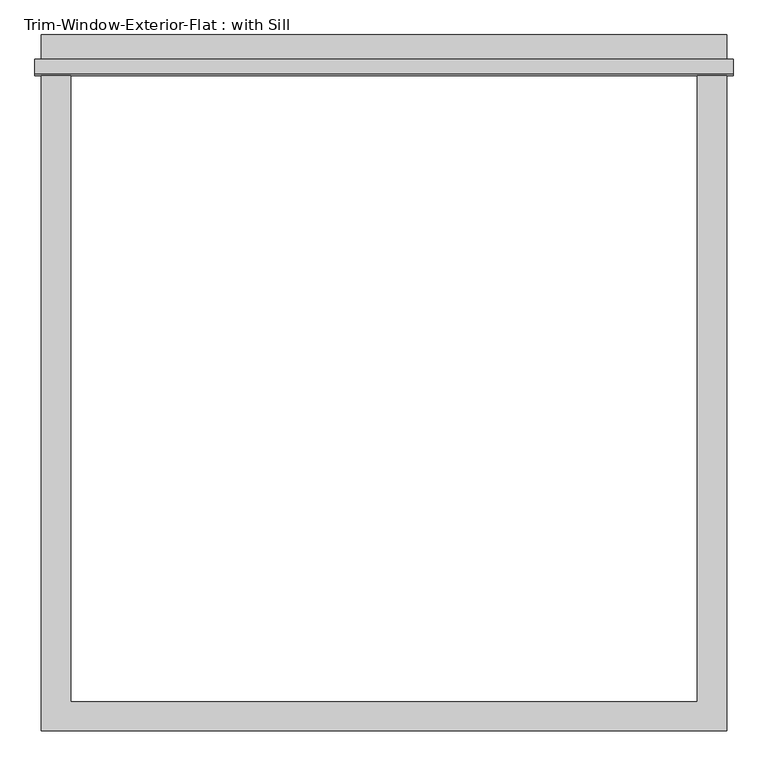
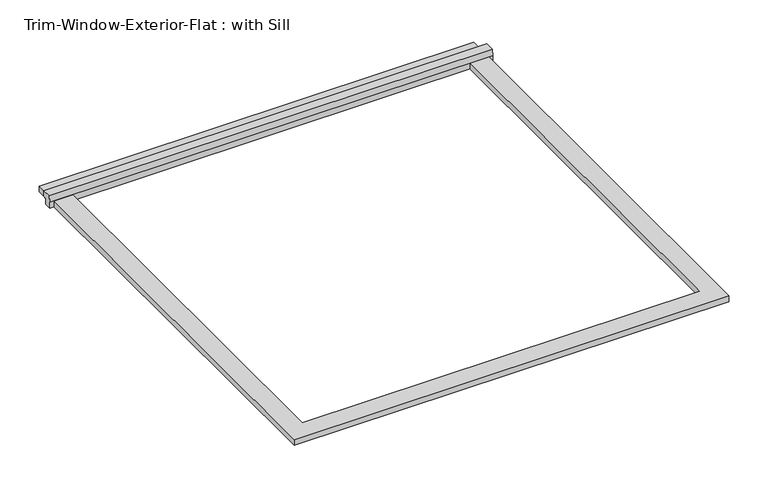
"""IFC4 building model written with IfcOpenShell, lengths in millimetres: proxy geometry, Trim-Window-Exterior-Flat : with Sill."""

import ifcopenshell
import ifcopenshell.guid

model = None  # the IFC model being written
_history = None  # IfcOwnerHistory: only IFC2X3 demands one
_inside = {}  # id of a spatial element -> (the spatial element, [elements in it])
_under = {}  # id of a project, library or spatial element -> (it, [spatial elements below it])
_declared = {}  # id of a project -> (the project, [libraries it declares])
_typed = {}  # id of a type object -> (the type object, [elements of that type])
_made_of = {}  # id of a material, layer set ... -> (it, [elements and type objects made of it])


def new_model(schema):
    """Start an empty IFC model of exactly this schema.

    Asked for "IFC4X3", IfcOpenShell would pick the latest addendum, in which some entities
    have other attributes; the version numbers below select the first issue.
    IFC2X3 requires an IfcOwnerHistory on every rooted entity: one is made here for all.
    """
    global model, _history
    if schema == "IFC4X3":
        model = ifcopenshell.file(schema_version=(4, 3, 0, 0))
    else:
        model = ifcopenshell.file(schema=schema)
    _inside.clear()
    _under.clear()
    _declared.clear()
    _typed.clear()
    _made_of.clear()
    _history = None
    if model.schema == "IFC2X3":
        org = make("IfcOrganization", Name="unknown")
        user = make(
            "IfcPersonAndOrganization",
            ThePerson=make("IfcPerson", FamilyName="unknown"),
            TheOrganization=org,
        )
        app = make(
            "IfcApplication",
            ApplicationDeveloper=org,
            Version="unknown",
            ApplicationFullName="unknown",
            ApplicationIdentifier="unknown",
        )
        _history = make(
            "IfcOwnerHistory",
            OwningUser=user,
            OwningApplication=app,
            ChangeAction="ADDED",
            CreationDate=0,
        )
    return model


def make(cls, **values):
    """One entity of the class cls with the attributes given. An attribute that is None is left unset."""
    return model.create_entity(
        cls, **{name: value for name, value in values.items() if value is not None}
    )


def rooted(cls, **values):
    """An entity with a GlobalId (a new one), such as an element, a storey or a relation."""
    return make(cls, GlobalId=ifcopenshell.guid.new(), OwnerHistory=_history, **values)


def si_unit(unit_type, name, prefix=None):
    """IfcSIUnit, for example si_unit("LENGTHUNIT", "METRE", prefix="MILLI")."""
    return make("IfcSIUnit", UnitType=unit_type, Prefix=prefix, Name=name)


def assignment(units):
    """IfcUnitAssignment: the units of a project."""
    return None if units is None else make("IfcUnitAssignment", Units=units)


def point(xyz):
    """IfcCartesianPoint."""
    return None if xyz is None else make("IfcCartesianPoint", Coordinates=xyz)


def direction(xyz):
    """IfcDirection."""
    return None if xyz is None else make("IfcDirection", DirectionRatios=xyz)


def frame(location, z_axis=None, x_axis=None):
    """IfcAxis2Placement3D, a coordinate frame: its origin and axes. An axis left out is left unset."""
    return make(
        "IfcAxis2Placement3D",
        Location=point(location),
        Axis=direction(z_axis),
        RefDirection=direction(x_axis),
    )


def origin():
    """The frame at (0, 0, 0) with its axes left unset."""
    return frame((0.0, 0.0, 0.0))


def origin_with_axes():
    """The frame at (0, 0, 0) with the z axis (0, 0, 1) and the x axis (1, 0, 0) written out."""
    return frame((0.0, 0.0, 0.0), z_axis=(0.0, 0.0, 1.0), x_axis=(1.0, 0.0, 0.0))


def place(relative_to, where):
    """IfcLocalPlacement: puts the frame where relative to a parent placement (None: the world)."""
    return make(
        "IfcLocalPlacement", PlacementRelTo=relative_to, RelativePlacement=where
    )


def context(
    kind, dimensions, precision=None, world=None, true_north=None, identifier=None
):
    """IfcGeometricRepresentationContext, for example the 3D "Model" context."""
    return make(
        "IfcGeometricRepresentationContext",
        ContextIdentifier=identifier,
        ContextType=kind,
        CoordinateSpaceDimension=dimensions,
        Precision=precision,
        WorldCoordinateSystem=world,
        TrueNorth=true_north,
    )


def project(units=None, contexts=None):
    """IfcProject with its units and contexts."""
    return rooted(
        "IfcProject",
        Name="project",
        RepresentationContexts=contexts,
        UnitsInContext=assignment(units),
    )


def spatial(cls, under=None, at=None, **own):
    """A site, building, storey or space (cls), placed at a placement, below another one or the project."""
    s = rooted(cls, ObjectPlacement=at, **own)
    if under is not None:
        _under.setdefault(under.id(), (under, []))[1].append(s)
    return s


def polyline(points):
    """IfcPolyline through the points."""
    return make("IfcPolyline", Points=[point(p) for p in points])


def outline(outer, holes=None, kind="AREA"):
    """IfcArbitraryClosedProfileDef: a profile drawn as a closed curve; with holes, ...WithVoids."""
    if holes is None:
        return make("IfcArbitraryClosedProfileDef", ProfileType=kind, OuterCurve=outer)
    return make(
        "IfcArbitraryProfileDefWithVoids",
        ProfileType=kind,
        OuterCurve=outer,
        InnerCurves=holes,
    )


def extrude(swept, where, along, depth):
    """IfcExtrudedAreaSolid: the profile swept, set in the frame where, extruded along a direction by depth."""
    return make(
        "IfcExtrudedAreaSolid",
        SweptArea=swept,
        Position=where,
        ExtrudedDirection=direction(along),
        Depth=depth,
    )


def shape(context_of_items, identifier, shape_type, items):
    """IfcShapeRepresentation: the items that make up one representation, for example the "Body"."""
    return make(
        "IfcShapeRepresentation",
        ContextOfItems=context_of_items,
        RepresentationIdentifier=identifier,
        RepresentationType=shape_type,
        Items=items,
    )


def source(mapping_origin, context_of_items, identifier, shape_type, items):
    """IfcRepresentationMap: a shape defined once, which mapped items show again and again."""
    return make(
        "IfcRepresentationMap",
        MappingOrigin=mapping_origin,
        MappedRepresentation=shape(context_of_items, identifier, shape_type, items),
    )


def transform(
    local_origin,
    x_axis=None,
    y_axis=None,
    z_axis=None,
    scale=None,
    scale2=None,
    scale3=None,
    uniform=True,
):
    """IfcCartesianTransformationOperator3D, or its non-uniform kind. x_axis, y_axis, z_axis: its Axis1, 2, 3."""
    if uniform:
        return make(
            "IfcCartesianTransformationOperator3D",
            Axis1=direction(x_axis),
            Axis2=direction(y_axis),
            LocalOrigin=point(local_origin),
            Scale=scale,
            Axis3=direction(z_axis),
        )
    return make(
        "IfcCartesianTransformationOperator3DnonUniform",
        Axis1=direction(x_axis),
        Axis2=direction(y_axis),
        LocalOrigin=point(local_origin),
        Scale=scale,
        Axis3=direction(z_axis),
        Scale2=scale2,
        Scale3=scale3,
    )


def mapped(mapping_source, mapping_target):
    """IfcMappedItem: shows the shape of a source again, moved by a transform."""
    return make(
        "IfcMappedItem", MappingSource=mapping_source, MappingTarget=mapping_target
    )


def made_of(thing, what):
    """Note that an element or type object is made of a material, layer set ...; save() writes the relation."""
    if what is not None:
        _made_of.setdefault(what.id(), (what, []))[1].append(thing)
    return thing


def element(
    cls,
    number,
    at=None,
    inside=None,
    cuts=None,
    type_object=None,
    material=None,
    context=None,
    identifier="Body",
    shape_type=None,
    held_by="IfcProductDefinitionShape",
    body=None,
    shapes=None,
    **own,
):
    """One element of the class cls, such as IfcWall. Its Tag is "e" and its number.

    at: its placement. inside: the storey or other place that contains it. cuts: it is an
    opening in that element (IfcRelVoidsElement). A single representation is given by context,
    identifier, shape_type and body (its items); several are given by shapes. held_by: the class
    of the entity that holds the representations. save() writes the other relations.
    """
    e = rooted(cls, Tag="e%d" % number, ObjectPlacement=at, **own)
    if body is not None:
        shapes = [shape(context, identifier, shape_type, body)]
    if shapes is not None:
        e.Representation = make(held_by, Representations=shapes)
    if inside is not None:
        _inside.setdefault(inside.id(), (inside, []))[1].append(e)
    if cuts is not None:
        rooted(
            "IfcRelVoidsElement", RelatingBuildingElement=cuts, RelatedOpeningElement=e
        )
    if type_object is not None:
        _typed.setdefault(type_object.id(), (type_object, []))[1].append(e)
    return made_of(e, material)


def aggregate(whole, parts):
    """IfcRelAggregates: a whole, such as a stair, and the parts it consists of."""
    return rooted("IfcRelAggregates", RelatingObject=whole, RelatedObjects=parts)


def save(model, path):
    """Write the relations noted so far, then the file.

    IfcRelAggregates (storeys below a building ...), IfcRelContainedInSpatialStructure (elements
    in a storey), IfcRelDefinesByType, IfcRelAssociatesMaterial and IfcRelDeclares: one each for
    every whole, place, type object, material and project.
    """
    for whole, parts in _under.values():
        aggregate(whole, parts)
    for where, things in _inside.values():
        rooted(
            "IfcRelContainedInSpatialStructure",
            RelatedElements=things,
            RelatingStructure=where,
        )
    for kind, things in _typed.values():
        rooted("IfcRelDefinesByType", RelatedObjects=things, RelatingType=kind)
    for what, things in _made_of.values():
        rooted("IfcRelAssociatesMaterial", RelatedObjects=things, RelatingMaterial=what)
    for by, libraries in _declared.values():
        rooted("IfcRelDeclares", RelatingContext=by, RelatedDefinitions=libraries)
    model.write(path)


def trim_window_exterior_flat_with_sill_ac84ebb5(model_context):
    return source(origin(), model_context, "Body", "SweptSolid", [
        extrude(outline(polyline([(666.75, 1241.3823709), (-666.75, 1241.3823709), (-666.75, 1298.5323709), (666.75, 1298.5323709), (666.75, 1241.3823709)])), origin_with_axes(), (0.0, 0.0, 1.0), 19.05),
        extrude(outline(polyline([(1250.95, 38.1), (1250.95, 19.05), (1241.3823709, 19.05), (1241.3823709, 0.0), (1219.2, 0.0), (1219.2, 19.05), (1221.6580645, 38.1), (1250.95, 38.1)])), frame((-679.45, 0.0, 0.0), z_axis=(1.0, 0.0, 0.0), x_axis=(0.0, 1.0, 0.0)), (0.0, 0.0, 1.0), 1358.9),
        extrude(outline(polyline([(-666.75, -57.15), (-666.75, 1219.2), (-609.6, 1219.2), (-609.6, 0.0), (609.6, 0.0), (609.6, 1219.2), (666.75, 1219.2), (666.75, -57.15), (-666.75, -57.15)])), origin_with_axes(), (0.0, 0.0, 1.0), 19.05),
    ])


if __name__ == "__main__":
    model = new_model("IFC4")
    model_context = context("Model", 3, world=origin())
    ifc_project = project(units=[si_unit("LENGTHUNIT", "METRE", prefix="MILLI")], contexts=[model_context])
    site = spatial("IfcSite", under=ifc_project)
    building = spatial("IfcBuilding", under=site)
    placement = place(None, origin())
    trim_window_exterior_flat_with_sill_shape = trim_window_exterior_flat_with_sill_ac84ebb5(model_context)
    element("IfcBuildingElementProxy", 1, Name="Trim-Window-Exterior-Flat : with Sill", ObjectType="Trim-Window-Exterior-Flat : with Sill", at=placement, inside=building, context=model_context, shape_type="MappedRepresentation", body=[
        mapped(trim_window_exterior_flat_with_sill_shape, transform((0.0, 0.0, 0.0), x_axis=(1.0, 0.0, 0.0), y_axis=(0.0, 1.0, 0.0), z_axis=(0.0, 0.0, 1.0))),
    ])
    save(model, "model.ifc")
